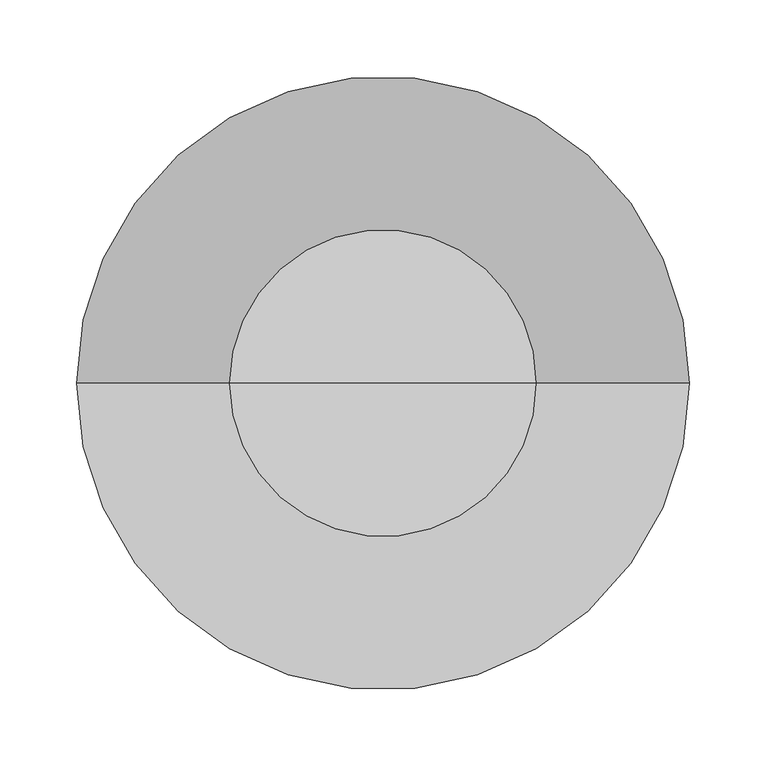
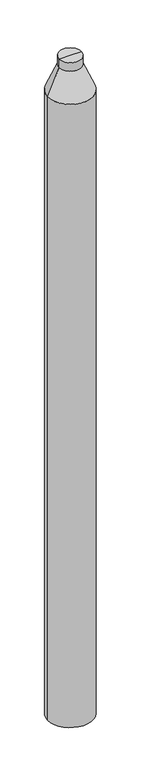
"""IFC4 building model written with IfcOpenShell, lengths in millimetres: column geometry."""

from ifc_helpers import new_model, si_unit, frame, origin, place, context, project, spatial, polyline, circle_curve, source, transform, mapped, element, save
from ifc_brep_helpers import plane_surface, cylinder_surface, revolved_surface, advanced_brep


def column_2302c788(model_context):
    return source(origin(), model_context, "Body", "AdvancedBrep", [
        advanced_brep(
        [(-200.0, 0.0, 3240.875), (-200.0, 0.0, -2599.125), (200.0, 0.0, -2599.125), (200.0, 0.0, 3240.875), (0.0, 0.0, -2599.125), (-100.0, 0.0, 3480.875), (100.0, 0.0, 3480.875), (-100.0, 0.0, 3560.875), (100.0, 0.0, 3560.875), (0.0, 0.0, 3560.875)],
        [
            (0, 1),
            (1, 2, circle_curve(frame((0.0, 0.0, -2599.125), z_axis=(0.0, 0.0, 1.0), x_axis=(1.0, 0.0, 0.0)), 200.0)),
            (2, 3),
            (3, 0, circle_curve(frame((0.0, 0.0, 3240.875), z_axis=(0.0, 0.0, -1.0), x_axis=(1.0, 0.0, 0.0)), 200.0)),
            (1, 4),
            (4, 2),
            (1, 2, circle_curve(frame((0.0, 0.0, -2599.125), z_axis=(0.0, 0.0, -1.0), x_axis=(1.0, 0.0, 0.0)), 200.0)),
            (0, 3, circle_curve(frame((0.0, 0.0, 3240.875), z_axis=(0.0, 0.0, -1.0), x_axis=(1.0, 0.0, 0.0)), 200.0)),
            (5, 0),
            (3, 6),
            (6, 5, circle_curve(frame((0.0, 0.0, 3480.875), z_axis=(0.0, 0.0, -1.0), x_axis=(1.0, 0.0, 0.0)), 100.0)),
            (5, 6, circle_curve(frame((0.0, 0.0, 3480.875), z_axis=(0.0, 0.0, -1.0), x_axis=(1.0, 0.0, 0.0)), 100.0)),
            (7, 5),
            (6, 8),
            (8, 7, circle_curve(frame((0.0, 0.0, 3560.875), z_axis=(0.0, 0.0, -1.0), x_axis=(1.0, 0.0, 0.0)), 100.0)),
            (7, 8, circle_curve(frame((0.0, 0.0, 3560.875), z_axis=(0.0, 0.0, -1.0), x_axis=(1.0, 0.0, 0.0)), 100.0)),
            (9, 7),
            (8, 9),
        ],
        [
            cylinder_surface(frame((0.0, 0.0, 3202.1059986), z_axis=(0.0, 0.0, 1.0), x_axis=(1.0, 0.0, 0.0)), 200.0),
            plane_surface(frame((0.0, 0.0, -2599.125), z_axis=(0.0, 0.0, -1.0), x_axis=(1.0, 0.0, 0.0))),
            revolved_surface(polyline([(200.0, 0.0, 3240.875), (100.0, 0.0, 3480.875)]), (0.0, 0.0, 3202.1059986), (0.0, 0.0, 1.0)),
            cylinder_surface(frame((0.0, 0.0, 3202.1059986), z_axis=(0.0, 0.0, 1.0), x_axis=(1.0, 0.0, 0.0)), 100.0),
            plane_surface(frame((0.0, 0.0, 3560.875), z_axis=(0.0, 0.0, 1.0), x_axis=(1.0, 0.0, 0.0))),
        ],
        [
            (0, [[1, 2, 3, 4]]),
            (1, [[5, 6, -2]]),
            (1, [[-6, -5, 7]]),
            (0, [[-3, -7, -1, 8]]),
            (2, [[9, -4, 10, 11]]),
            (2, [[-10, -8, -9, 12]]),
            (3, [[13, -11, 14, 15]]),
            (3, [[-14, -12, -13, 16]]),
            (4, [[17, -15, 18]]),
            (4, [[-18, -16, -17]]),
        ],
    ),
    ])


if __name__ == "__main__":
    model = new_model("IFC4")
    model_context = context("Model", 3, world=origin())
    ifc_project = project(units=[si_unit("LENGTHUNIT", "METRE", prefix="MILLI")], contexts=[model_context])
    site = spatial("IfcSite", under=ifc_project)
    building = spatial("IfcBuilding", under=site)
    placement = place(None, origin())
    column_shape = column_2302c788(model_context)
    element("IfcColumn", 1, at=placement, inside=building, context=model_context, shape_type="MappedRepresentation", body=[
        mapped(column_shape, transform((0.0, 0.0, 0.0), x_axis=(1.0, 0.0, 0.0), y_axis=(0.0, 1.0, 0.0), z_axis=(0.0, 0.0, 1.0))),
    ])
    save(model, "model.ifc")
